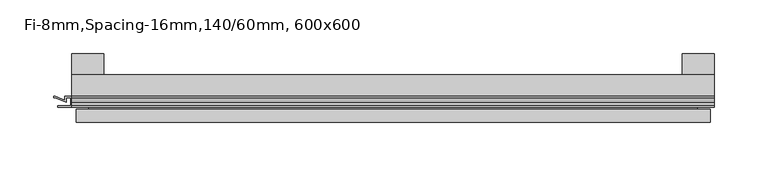
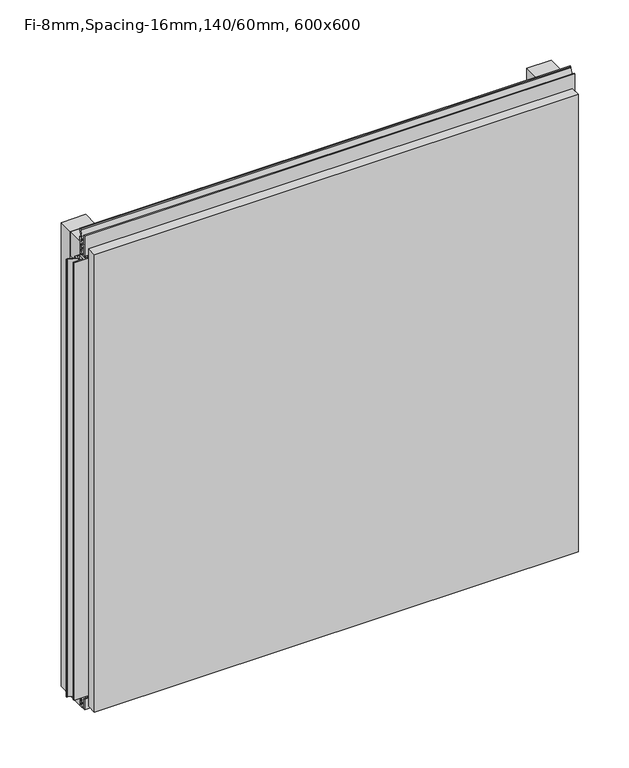
"""IFC4 building model written with IfcOpenShell, lengths in millimetres: plate geometry, Fi-8mm,Spacing-16mm,140/60mm, 600x600."""

from ifc_helpers import new_model, si_unit, frame, origin, origin_with_axes, place, context, project, spatial, polyline, outline, extrude, faceted_brep, source, transform, mapped, element, save


def fi_8mm_spacing_16mm_140_60mm_600x600_7f3c8e2c(model_context):
    return source(origin(), model_context, "Body", "SolidModel", [
        extrude(outline(polyline([(-300.0, -40.0), (-300.0, -20.0), (300.0, -20.0), (300.0, -40.0), (-300.0, -40.0)])), frame((0.0, 0.0, 570.0), z_axis=(0.0, 0.0, 1.0), x_axis=(1.0, 0.0, 0.0)), (0.0, 0.0, 1.0), 30.0),
        extrude(outline(polyline([(-300.0, -40.0), (-300.0, -20.0), (300.0, -20.0), (300.0, -40.0), (-300.0, -40.0)])), origin_with_axes(), (0.0, 0.0, 1.0), 30.0),
        extrude(outline(polyline([(270.0, 0.0), (300.0, 0.0), (300.0, -20.0), (270.0, -20.0), (270.0, 0.0)])), origin_with_axes(), (0.0, 0.0, 1.0), 600.0),
        extrude(outline(polyline([(-270.0, 0.0), (-270.0, -20.0), (-300.0, -20.0), (-300.0, 0.0), (-270.0, 0.0)])), origin_with_axes(), (0.0, 0.0, 1.0), 600.0),
        extrude(outline(polyline([(-40.0, 6.299084), (-40.0, 0.0), (-50.1, 0.0), (-50.1, 13.4156807), (-48.7, 13.4156807), (-48.7, 1.4156807), (-41.4, 1.4156807), (-41.4, 4.899084), (-45.5140545, 4.899084), (-41.4553267, 15.5703394), (-41.4553267, 22.991548), (-40.0553267, 22.991548), (-40.0553267, 15.3558599), (-43.5, 6.299084), (-40.0, 6.299084)])), frame((-300.0, 0.0, 0.0), z_axis=(1.0, 0.0, 0.0), x_axis=(0.0, 1.0, 0.0)), (0.0, 0.0, 1.0), 600.0),
        extrude(outline(polyline([(293.700916, -40.0), (300.0, -40.0), (300.0, -50.1), (286.5843193, -50.1), (286.5843193, -48.7), (298.5843193, -48.7), (298.5843193, -41.4), (295.100916, -41.4), (295.100916, -45.5140545), (284.4296606, -41.4553267), (277.008452, -41.4553267), (277.008452, -40.0553267), (284.6441401, -40.0553267), (293.700916, -43.5), (293.700916, -40.0)])), frame((0.0, 0.0, 16.9558599), z_axis=(0.0, 0.0, 1.0), x_axis=(1.0, 0.0, 0.0)), (0.0, 0.0, 1.0), 566.0882802),
        extrude(outline(polyline([(-300.899084, -48.7), (-300.899084, -41.4), (-304.899084, -41.4), (-304.899084, -45.5140545), (-315.5703394, -41.4553267), (-316.9558599, -41.4553267), (-316.9558599, -40.0553267), (-315.3558599, -40.0553267), (-306.299084, -43.5), (-306.299084, -40.0), (-293.700916, -40.0), (-293.700916, -43.5), (-284.6441401, -40.0553267), (-283.0441401, -40.0553267), (-283.0441401, -41.4553267), (-284.4296606, -41.4553267), (-295.100916, -45.5140545), (-295.100916, -41.4), (-299.100916, -41.4), (-299.100916, -48.7), (-287.100916, -48.7), (-287.100916, -50.1), (-312.899084, -50.1), (-312.899084, -48.7), (-300.899084, -48.7)])), frame((0.0, 0.0, 16.9558599), z_axis=(0.0, 0.0, 1.0), x_axis=(1.0, 0.0, 0.0)), (0.0, 0.0, 1.0), 566.0882802),
        extrude(outline(polyline([(-48.7, 600.899084), (-41.4, 600.899084), (-41.4, 604.899084), (-45.5140545, 604.899084), (-41.4553267, 615.5703394), (-41.4553267, 616.9558599), (-40.0553267, 616.9558599), (-40.0553267, 615.3558599), (-43.5, 606.299084), (-40.0, 606.299084), (-40.0, 593.700916), (-43.5, 593.700916), (-40.0553267, 584.6441401), (-40.0553267, 583.0441401), (-41.4553267, 583.0441401), (-41.4553267, 584.4296606), (-45.5140545, 595.100916), (-41.4, 595.100916), (-41.4, 599.100916), (-48.7, 599.100916), (-48.7, 587.100916), (-50.1, 587.100916), (-50.1, 612.899084), (-48.7, 612.899084), (-48.7, 600.899084)])), frame((-300.0, 0.0, 0.0), z_axis=(1.0, 0.0, 0.0), x_axis=(0.0, 1.0, 0.0)), (0.0, 0.0, 1.0), 600.0),
        faceted_brep([(296.0, -45.9, 596.0), (-296.0, -45.9, 596.0), (-296.0, -48.7, 596.0), (296.0, -48.7, 596.0), (-296.0, -63.9, 596.0), (296.0, -63.9, 596.0), (296.0, -51.9, 596.0), (-296.0, -51.9, 596.0), (-296.0, -45.9, 4.0), (296.0, -45.9, 4.0), (296.0, -48.7, 4.0), (-296.0, -48.7, 4.0), (296.0, -63.9, 4.0), (-296.0, -63.9, 4.0), (-296.0, -51.9, 4.0), (296.0, -51.9, 4.0), (284.0, -51.9, 584.0), (284.0, -51.9, 16.0), (284.0, -48.7, 16.0), (284.0, -48.7, 584.0), (-284.0, -51.9, 16.0), (-284.0, -48.7, 16.0), (-284.0, -51.9, 584.0), (-284.0, -48.7, 584.0)], [[[0, 1, 2, 3]], [[4, 5, 6, 7]], [[8, 9, 10, 11]], [[12, 13, 14, 15]], [[1, 0, 9, 8]], [[1, 8, 11, 2]], [[13, 4, 7, 14]], [[5, 4, 13, 12]], [[9, 0, 3, 10]], [[5, 12, 15, 6]], [[16, 17, 18, 19]], [[18, 17, 20, 21]], [[21, 20, 22, 23]], [[16, 19, 23, 22]], [[7, 6, 15, 14], [17, 16, 22, 20]], [[3, 2, 11, 10], [19, 18, 21, 23]]]),
    ])


if __name__ == "__main__":
    model = new_model("IFC4")
    model_context = context("Model", 3, world=origin())
    ifc_project = project(units=[si_unit("LENGTHUNIT", "METRE", prefix="MILLI")], contexts=[model_context])
    site = spatial("IfcSite", under=ifc_project)
    building = spatial("IfcBuilding", under=site)
    placement = place(None, origin())
    fi_8mm_spacing_16mm_140_60mm_600x600_shape = fi_8mm_spacing_16mm_140_60mm_600x600_7f3c8e2c(model_context)
    element("IfcPlate", 1, ObjectType="Fi-8mm,Spacing-16mm,140/60mm, 600x600", at=placement, inside=building, context=model_context, shape_type="MappedRepresentation", body=[
        mapped(fi_8mm_spacing_16mm_140_60mm_600x600_shape, transform((0.0, 0.0, 0.0), x_axis=(1.0, 0.0, 0.0), y_axis=(0.0, 1.0, 0.0), z_axis=(0.0, 0.0, 1.0))),
    ])
    save(model, "model.ifc")
